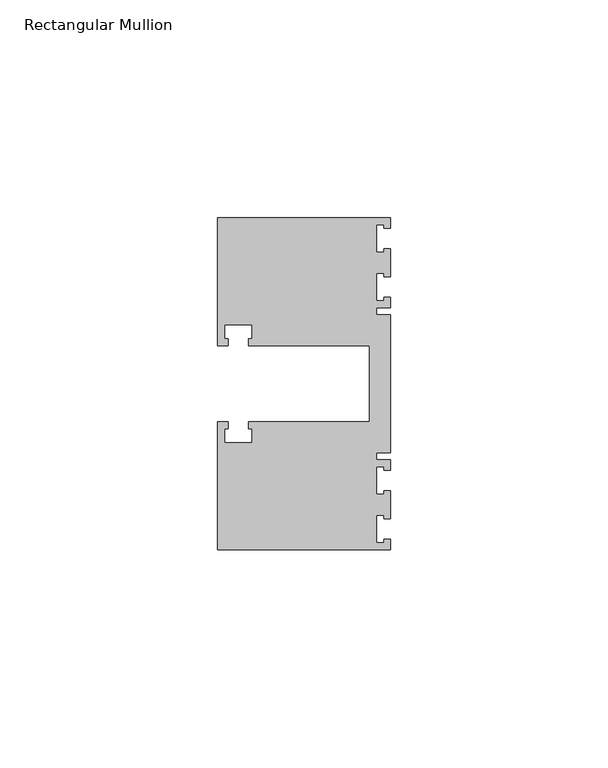
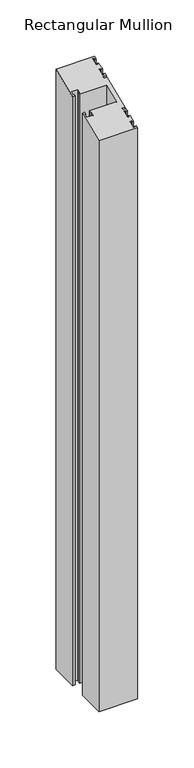
"""IFC4 building model written with IfcOpenShell, lengths in millimetres: member geometry, Rectangular Mullion."""

from ifc_helpers import new_model, si_unit, origin, place, context, project, spatial, faceted_brep, source, transform, mapped, element, save


def rectangular_mullion_3921efd5(model_context):
    return source(origin(), model_context, "Body", "Brep", [
        faceted_brep([(0.0, -38.1, -635.0), (-39.6875, -38.1, -635.0), (-39.6875, -8.73125, -635.0), (-37.30625, -8.73125, -635.0), (-37.30625, -10.31875, -635.0), (-38.1, -10.31875, -635.0), (-38.1, -13.49375, -635.0), (-31.75, -13.49375, -635.0), (-31.75, -10.31875, -635.0), (-32.54375, -10.31875, -635.0), (-32.54375, -8.73125, -635.0), (-4.8585733, -8.73125, -635.0), (-4.8585733, 8.73125, -635.0), (-32.54375, 8.73125, -635.0), (-32.54375, 10.31875, -635.0), (-31.75, 10.31875, -635.0), (-31.75, 13.49375, -635.0), (-38.1, 13.49375, -635.0), (-38.1, 10.31875, -635.0), (-37.30625, 10.31875, -635.0), (-37.30625, 8.73125, -635.0), (-39.6875, 8.73125, -635.0), (-39.6875, 38.1, -635.0), (0.0, 38.1, -635.0), (0.0, 35.71875, -635.0), (-1.4999946, 35.71875, -635.0), (-1.4999946, 36.5125, -635.0), (-3.175, 36.5125, -635.0), (-3.175, 30.1625, -635.0), (-1.4999946, 30.1625, -635.0), (-1.4999946, 30.95625, -635.0), (0.0, 30.95625, -635.0), (0.0, 24.60625, -635.0), (-1.4999946, 24.60625, -635.0), (-1.4999946, 25.4, -635.0), (-3.175, 25.4, -635.0), (-3.175, 19.05, -635.0), (-1.4999946, 19.05, -635.0), (-1.4999946, 19.84375, -635.0), (0.0, 19.84375, -635.0), (0.0, 17.4625, -635.0), (-3.175, 17.4625, -635.0), (-3.175, 15.875, -635.0), (0.0, 15.875, -635.0), (0.0, -15.875, -635.0), (-3.175, -15.875, -635.0), (-3.175, -17.4625, -635.0), (0.0, -17.4625, -635.0), (0.0, -19.84375, -635.0), (-1.4999946, -19.84375, -635.0), (-1.4999946, -19.05, -635.0), (-3.175, -19.05, -635.0), (-3.175, -25.4, -635.0), (-1.4999946, -25.4, -635.0), (-1.4999946, -24.60625, -635.0), (0.0, -24.60625, -635.0), (0.0, -30.95625, -635.0), (-1.4999946, -30.95625, -635.0), (-1.4999946, -30.1625, -635.0), (-3.175, -30.1625, -635.0), (-3.175, -36.5125, -635.0), (-1.4999946, -36.5125, -635.0), (-1.4999946, -35.71875, -635.0), (0.0, -35.71875, -635.0), (0.0, -35.71875, -14.7951907), (0.0, -38.1, -15.7815367), (-1.4999946, -35.71875, -14.7951907), (-1.4999946, -36.5125, -15.1239727), (-3.175, -36.5125, -15.1239727), (-3.175, -30.1625, -12.4937166), (-1.4999946, -30.1625, -12.4937166), (-1.4999946, -30.95625, -12.8224986), (0.0, -30.95625, -12.8224986), (0.0, -24.60625, -10.1922425), (-1.4999946, -24.60625, -10.1922425), (-1.4999946, -25.4, -10.5210245), (-3.175, -25.4, -10.5210245), (-3.175, -19.05, -7.8907684), (-1.4999946, -19.05, -7.8907684), (-1.4999946, -19.84375, -8.2195504), (0.0, -19.84375, -8.2195504), (0.0, -17.4625, -7.2332043), (-3.175, -17.4625, -7.2332043), (-3.175, -15.875, -6.5756403), (0.0, -15.875, -6.5756403), (0.0, 15.875, 6.5756403), (-3.175, 15.875, 6.5756403), (-3.175, 17.4625, 7.2332043), (0.0, 17.4625, 7.2332043), (0.0, 19.84375, 8.2195504), (-1.4999946, 19.84375, 8.2195504), (-1.4999946, 19.05, 7.8907684), (-3.175, 19.05, 7.8907684), (-3.175, 25.4, 10.5210245), (-1.4999946, 25.4, 10.5210245), (-1.4999946, 24.60625, 10.1922425), (0.0, 24.60625, 10.1922425), (0.0, 30.95625, 12.8224986), (-1.4999946, 30.95625, 12.8224986), (-1.4999946, 30.1625, 12.4937166), (-3.175, 30.1625, 12.4937166), (-3.175, 36.5125, 15.1239727), (-1.4999946, 36.5125, 15.1239727), (-1.4999946, 35.71875, 14.7951907), (0.0, 35.71875, 14.7951907), (0.0, 38.1, 15.7815367), (-39.6875, 38.1, 15.7815367), (-39.6875, 8.73125, 3.6166022), (-37.30625, 8.73125, 3.6166022), (-37.30625, 10.31875, 4.2741662), (-38.1, 10.31875, 4.2741662), (-38.1, 13.49375, 5.5892943), (-31.75, 13.49375, 5.5892943), (-31.75, 10.31875, 4.2741662), (-32.54375, 10.31875, 4.2741662), (-32.54375, 8.73125, 3.6166022), (-4.8585733, 8.73125, 3.6166022), (-4.8585733, -8.73125, -3.6166022), (-32.54375, -8.73125, -3.6166022), (-32.54375, -10.31875, -4.2741662), (-31.75, -10.31875, -4.2741662), (-31.75, -13.49375, -5.5892943), (-38.1, -13.49375, -5.5892943), (-38.1, -10.31875, -4.2741662), (-37.30625, -10.31875, -4.2741662), (-37.30625, -8.73125, -3.6166022), (-39.6875, -8.73125, -3.6166022), (-39.6875, -38.1, -15.7815367)], [[[0, 1, 2, 3, 4, 5, 6, 7, 8, 9, 10, 11, 12, 13, 14, 15, 16, 17, 18, 19, 20, 21, 22, 23, 24, 25, 26, 27, 28, 29, 30, 31, 32, 33, 34, 35, 36, 37, 38, 39, 40, 41, 42, 43, 44, 45, 46, 47, 48, 49, 50, 51, 52, 53, 54, 55, 56, 57, 58, 59, 60, 61, 62, 63]], [[64, 65, 0, 63]], [[66, 64, 63, 62]], [[67, 66, 62, 61]], [[68, 67, 61, 60]], [[69, 68, 60, 59]], [[70, 69, 59, 58]], [[71, 70, 58, 57]], [[72, 71, 57, 56]], [[73, 72, 56, 55]], [[74, 73, 55, 54]], [[75, 74, 54, 53]], [[76, 75, 53, 52]], [[77, 76, 52, 51]], [[78, 77, 51, 50]], [[79, 78, 50, 49]], [[80, 79, 49, 48]], [[81, 80, 48, 47]], [[82, 81, 47, 46]], [[83, 82, 46, 45]], [[84, 83, 45, 44]], [[85, 84, 44, 43]], [[86, 85, 43, 42]], [[87, 86, 42, 41]], [[88, 87, 41, 40]], [[89, 88, 40, 39]], [[90, 89, 39, 38]], [[91, 90, 38, 37]], [[92, 91, 37, 36]], [[93, 92, 36, 35]], [[94, 93, 35, 34]], [[95, 94, 34, 33]], [[96, 95, 33, 32]], [[97, 96, 32, 31]], [[98, 97, 31, 30]], [[99, 98, 30, 29]], [[100, 99, 29, 28]], [[101, 100, 28, 27]], [[102, 101, 27, 26]], [[103, 102, 26, 25]], [[104, 103, 25, 24]], [[105, 104, 24, 23]], [[106, 105, 23, 22]], [[107, 106, 22, 21]], [[108, 107, 21, 20]], [[109, 108, 20, 19]], [[110, 109, 19, 18]], [[111, 110, 18, 17]], [[112, 111, 17, 16]], [[113, 112, 16, 15]], [[114, 113, 15, 14]], [[115, 114, 14, 13]], [[116, 115, 13, 12]], [[117, 116, 12, 11]], [[118, 117, 11, 10]], [[119, 118, 10, 9]], [[120, 119, 9, 8]], [[121, 120, 8, 7]], [[122, 121, 7, 6]], [[123, 122, 6, 5]], [[124, 123, 5, 4]], [[125, 124, 4, 3]], [[126, 125, 3, 2]], [[127, 126, 2, 1]], [[65, 127, 1, 0]], [[65, 64, 66, 67, 68, 69, 70, 71, 72, 73, 74, 75, 76, 77, 78, 79, 80, 81, 82, 83, 84, 85, 86, 87, 88, 89, 90, 91, 92, 93, 94, 95, 96, 97, 98, 99, 100, 101, 102, 103, 104, 105, 106, 107, 108, 109, 110, 111, 112, 113, 114, 115, 116, 117, 118, 119, 120, 121, 122, 123, 124, 125, 126, 127]]]),
    ])


if __name__ == "__main__":
    model = new_model("IFC4")
    model_context = context("Model", 3, world=origin())
    ifc_project = project(units=[si_unit("LENGTHUNIT", "METRE", prefix="MILLI")], contexts=[model_context])
    site = spatial("IfcSite", under=ifc_project)
    building = spatial("IfcBuilding", under=site)
    placement = place(None, origin())
    rectangular_mullion_shape = rectangular_mullion_3921efd5(model_context)
    element("IfcMember", 1, ObjectType="Rectangular Mullion", at=placement, inside=building, context=model_context, shape_type="MappedRepresentation", body=[
        mapped(rectangular_mullion_shape, transform((0.0, 0.0, 0.0), x_axis=(1.0, 0.0, 0.0), y_axis=(0.0, 1.0, 0.0), z_axis=(0.0, 0.0, 1.0))),
    ])
    save(model, "model.ifc")
